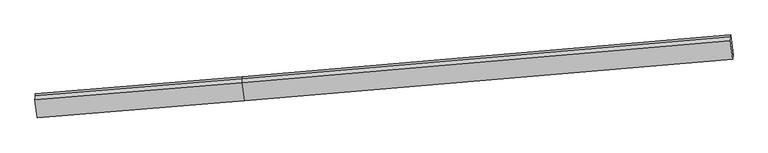
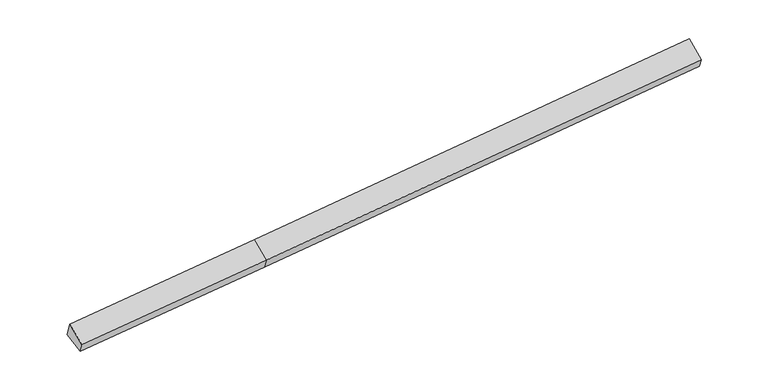
"""IFC4 building model written with IfcOpenShell, lengths in millimetres: proxy geometry."""

from ifc_helpers import new_model, si_unit, frame, origin, place, context, project, spatial, source, transform, mapped, element, save
from ifc_brep_helpers import plane_surface, spline_surface, advanced_brep


def generic_models_3d5e2d44(model_context):
    return source(origin(), model_context, "Body", "AdvancedBrep", [
        advanced_brep(
        [(-9779.8520323, -2187.8283739, 1275.1145875), (-9786.2410653, -2254.5964052, 1469.2580009), (-3081.0856436, -1696.3171697, 1866.0451803), (-3075.007659, -1632.799723, 1681.3535895), (-9708.2715291, -2859.492179, 1046.4777309), (-3003.9900791, -2290.4377021, 1442.5267786), (-9717.6033341, -2970.7234766, 1348.8401678), (-3013.2255335, -2420.5707025, 1769.2569036), (-9794.3281987, -2378.9275001, 1769.5925421), (-3089.9503981, -1828.774726, 2190.0092778), (12838.5162955, -1067.2295595, 2756.3479513), (12847.7517499, -937.0965591, 2429.6178263), (12776.73417, -279.45858, 2668.4446372), (12770.6561855, -342.9760267, 2853.136228), (12761.791431, -475.433583, 3177.1003255)],
        [
            (0, 1),
            (1, 2),
            (2, 3),
            (3, 0),
            (4, 0),
            (0, 5),
            (5, 4),
            (6, 4),
            (5, 7),
            (7, 6),
            (8, 6),
            (7, 9),
            (9, 8),
            (1, 8),
            (9, 2),
            (10, 11),
            (11, 12),
            (12, 13),
            (13, 14),
            (14, 10),
            (3, 5),
            (5, 11),
            (10, 7),
            (3, 12),
            (2, 13),
            (9, 14),
        ],
        [
            plane_surface(frame((-9783.0465488, -2221.2123896, 1372.1862942), z_axis=(-0.09742607741601172, 0.9421228407459312, 0.3208001128181635), x_axis=(-0.031104844004141253, -0.3250584559359469, 0.9451822516869518))),
            plane_surface(frame((-9744.0617807, -2523.6602765, 1160.7961592), z_axis=(0.028275811471548663, 0.32481562306148604, -0.9453545840058132), x_axis=(-0.10037743542699328, 0.9418750532105774, 0.3206177702446821))),
            spline_surface(1, 1, [[(-9717.6033341, -2970.7234766, 1348.8401678), (-3013.2255335, -2420.5707025, 1769.2569036)], [(-9708.2715291, -2859.492179, 1046.4777309), (-3003.9900791, -2290.4377021, 1442.5267786)]], [2, 2], [2, 2], [0.0, 1.0], [0.0, 1.0]),
            plane_surface(frame((-9755.9657664, -2674.8254884, 1559.216355), z_axis=(-0.0035199533459991106, -0.5797498157771446, 0.8147869421111321), x_axis=(0.10507872313153284, -0.8104956053587301, -0.5762424278367851))),
            spline_surface(1, 1, [[(-9786.2410653, -2254.5964052, 1469.2580009), (-3081.0856436, -1696.3171697, 1866.0451803)], [(-9794.3281987, -2378.9275001, 1769.5925421), (-3089.9503981, -1828.774726, 2190.0092778)]], [2, 2], [2, 2], [0.0, 1.0], [0.0, 1.0]),
            plane_surface(frame((12799.0899664, -620.4388616, 2776.9293937), z_axis=(0.9944631009427031, 0.08490220470703083, 0.06192541077222528), x_axis=(0.026251023671326038, 0.3698924112544235, -0.9287036598682037))),
            plane_surface(frame((-9757.2592319, -2530.313587, 1381.8566058), z_axis=(-0.9944631009427036, -0.08490220470703229, -0.06192541077221117), x_axis=(0.031104844004136212, 0.3250584559359471, -0.9451822516869518))),
            plane_surface(frame((-9779.8520323, -2187.8283739, 1275.1145875), z_axis=(0.028397453623783524, 0.34391652939440764, -0.9385707247922187), x_axis=(-0.10098391963963259, 0.9351326948152969, 0.3396013708183421))),
            plane_surface(frame((-3008.6078063, -2355.5042023, 1605.8918411), z_axis=(0.10175472775075736, -0.9251871268734095, -0.3656155845257356), x_axis=(0.026251023671326038, 0.3698924112544235, -0.9287036598682037))),
            plane_surface(frame((-3039.4988691, -1961.6187125, 1561.940184), z_axis=(0.02907557114895803, 0.34397450301347426, -0.9385287168962897), x_axis=(-0.10098391963963718, 0.9351326948152966, 0.339601370818342))),
            plane_surface(frame((-3078.0466513, -1664.5584464, 1773.6993849), z_axis=(-0.10037743542699651, 0.9418750532105749, 0.3206177702446892), x_axis=(-0.031104844004138488, -0.32505845593594695, 0.9451822516869519))),
            plane_surface(frame((-3085.5180208, -1762.5459479, 2028.0272291), z_axis=(-0.10199038830968947, 0.9217680146994737, 0.37408780756585763), x_axis=(-0.02531998333059161, -0.3783323178276952, 0.9253234870742569))),
            plane_surface(frame((-3051.5879658, -2124.6727143, 1979.6330907), z_axis=(-0.0012660207218380404, -0.5795588747746614, 0.8149293882671432), x_axis=(0.10507872313153359, -0.8104956053587299, -0.5762424278367851))),
        ],
        [
            (0, [[1, 2, 3, 4]]),
            (1, [[5, 6, 7]]),
            (2, [[8, -7, 9, 10]]),
            (3, [[11, -10, 12, 13]]),
            (4, [[14, -13, 15, -2]]),
            (5, [[16, 17, 18, 19, 20]]),
            (6, [[-1, -5, -8, -11, -14]]),
            (7, [[21, -6, -4]]),
            (8, [[-9, 22, -16, 23]]),
            (9, [[-21, 24, -17, -22]]),
            (10, [[-3, 25, -18, -24]]),
            (11, [[-15, 26, -19, -25]]),
            (12, [[-12, -23, -20, -26]]),
        ],
    ),
    ])


if __name__ == "__main__":
    model = new_model("IFC4")
    model_context = context("Model", 3, world=origin())
    ifc_project = project(units=[si_unit("LENGTHUNIT", "METRE", prefix="MILLI")], contexts=[model_context])
    site = spatial("IfcSite", under=ifc_project)
    building = spatial("IfcBuilding", under=site)
    placement = place(None, origin())
    generic_models_shape = generic_models_3d5e2d44(model_context)
    element("IfcBuildingElementProxy", 1, Name="Generic Models", at=placement, inside=building, context=model_context, shape_type="MappedRepresentation", body=[
        mapped(generic_models_shape, transform((0.0, 0.0, 0.0), x_axis=(1.0, 0.0, 0.0), y_axis=(0.0, 1.0, 0.0), z_axis=(0.0, 0.0, 1.0))),
    ])
    save(model, "model.ifc")
